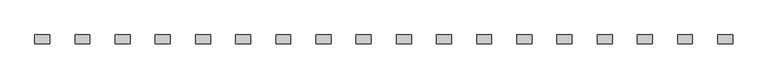
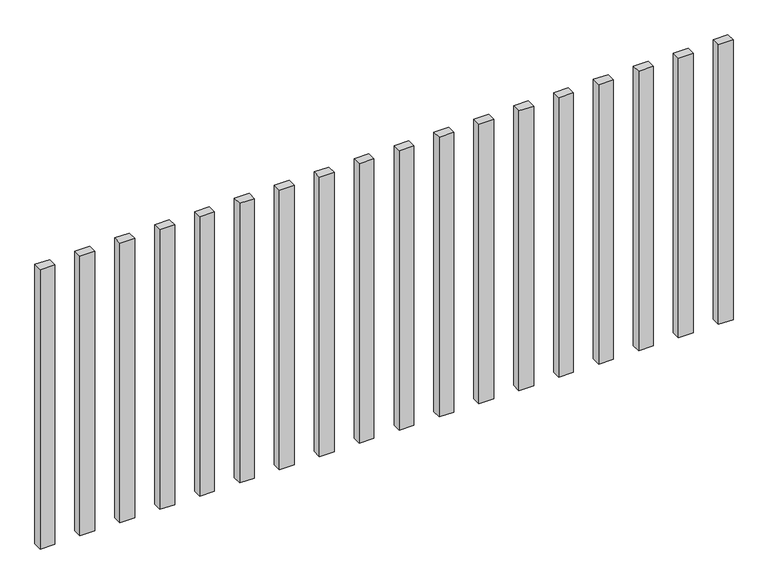
"""IFC4 building model written with IfcOpenShell, lengths in millimetres: railing geometry."""

from ifc_helpers import new_model, si_unit, origin, origin_with_axes, place, context, project, spatial, polyline, outline, extrude, source, transform, mapped, element, save


def railing_ff1332d6(model_context):
    return source(origin(), model_context, "Body", "SweptSolid", [
        extrude(outline(polyline([(-1107.5700772, -92444.0267127), (-1107.5700772, -92414.0267127), (-1057.5700772, -92414.0267127), (-1057.5700772, -92444.0267127), (-1107.5700772, -92444.0267127)])), origin_with_axes(), (0.0, 0.0, 1.0), 1000.0),
        extrude(outline(polyline([(-1242.5700772, -92444.0267127), (-1242.5700772, -92414.0267127), (-1192.5700772, -92414.0267127), (-1192.5700772, -92444.0267127), (-1242.5700772, -92444.0267127)])), origin_with_axes(), (0.0, 0.0, 1.0), 1000.0),
        extrude(outline(polyline([(-1377.5700772, -92444.0267127), (-1377.5700772, -92414.0267127), (-1327.5700772, -92414.0267127), (-1327.5700772, -92444.0267127), (-1377.5700772, -92444.0267127)])), origin_with_axes(), (0.0, 0.0, 1.0), 1000.0),
        extrude(outline(polyline([(-1512.5700772, -92444.0267127), (-1512.5700772, -92414.0267127), (-1462.5700772, -92414.0267127), (-1462.5700772, -92444.0267127), (-1512.5700772, -92444.0267127)])), origin_with_axes(), (0.0, 0.0, 1.0), 1000.0),
        extrude(outline(polyline([(-1647.5700772, -92444.0267127), (-1647.5700772, -92414.0267127), (-1597.5700772, -92414.0267127), (-1597.5700772, -92444.0267127), (-1647.5700772, -92444.0267127)])), origin_with_axes(), (0.0, 0.0, 1.0), 1000.0),
        extrude(outline(polyline([(-1782.5700772, -92444.0267127), (-1782.5700772, -92414.0267127), (-1732.5700772, -92414.0267127), (-1732.5700772, -92444.0267127), (-1782.5700772, -92444.0267127)])), origin_with_axes(), (0.0, 0.0, 1.0), 1000.0),
        extrude(outline(polyline([(-1917.5700772, -92444.0267127), (-1917.5700772, -92414.0267127), (-1867.5700772, -92414.0267127), (-1867.5700772, -92444.0267127), (-1917.5700772, -92444.0267127)])), origin_with_axes(), (0.0, 0.0, 1.0), 1000.0),
        extrude(outline(polyline([(-2052.5700772, -92444.0267127), (-2052.5700772, -92414.0267127), (-2002.5700772, -92414.0267127), (-2002.5700772, -92444.0267127), (-2052.5700772, -92444.0267127)])), origin_with_axes(), (0.0, 0.0, 1.0), 1000.0),
        extrude(outline(polyline([(-2187.5700772, -92444.0267127), (-2187.5700772, -92414.0267127), (-2137.5700772, -92414.0267127), (-2137.5700772, -92444.0267127), (-2187.5700772, -92444.0267127)])), origin_with_axes(), (0.0, 0.0, 1.0), 1000.0),
        extrude(outline(polyline([(-2322.5700772, -92444.0267127), (-2322.5700772, -92414.0267127), (-2272.5700772, -92414.0267127), (-2272.5700772, -92444.0267127), (-2322.5700772, -92444.0267127)])), origin_with_axes(), (0.0, 0.0, 1.0), 1000.0),
        extrude(outline(polyline([(-2457.5700772, -92444.0267127), (-2457.5700772, -92414.0267127), (-2407.5700772, -92414.0267127), (-2407.5700772, -92444.0267127), (-2457.5700772, -92444.0267127)])), origin_with_axes(), (0.0, 0.0, 1.0), 1000.0),
        extrude(outline(polyline([(-2592.5700772, -92444.0267127), (-2592.5700772, -92414.0267127), (-2542.5700772, -92414.0267127), (-2542.5700772, -92444.0267127), (-2592.5700772, -92444.0267127)])), origin_with_axes(), (0.0, 0.0, 1.0), 1000.0),
        extrude(outline(polyline([(-2727.5700772, -92444.0267127), (-2727.5700772, -92414.0267127), (-2677.5700772, -92414.0267127), (-2677.5700772, -92444.0267127), (-2727.5700772, -92444.0267127)])), origin_with_axes(), (0.0, 0.0, 1.0), 1000.0),
        extrude(outline(polyline([(-2862.5700772, -92444.0267127), (-2862.5700772, -92414.0267127), (-2812.5700772, -92414.0267127), (-2812.5700772, -92444.0267127), (-2862.5700772, -92444.0267127)])), origin_with_axes(), (0.0, 0.0, 1.0), 1000.0),
        extrude(outline(polyline([(-2997.5700772, -92444.0267127), (-2997.5700772, -92414.0267127), (-2947.5700772, -92414.0267127), (-2947.5700772, -92444.0267127), (-2997.5700772, -92444.0267127)])), origin_with_axes(), (0.0, 0.0, 1.0), 1000.0),
        extrude(outline(polyline([(-3132.5700772, -92444.0267127), (-3132.5700772, -92414.0267127), (-3082.5700772, -92414.0267127), (-3082.5700772, -92444.0267127), (-3132.5700772, -92444.0267127)])), origin_with_axes(), (0.0, 0.0, 1.0), 1000.0),
        extrude(outline(polyline([(-3267.5700772, -92444.0267127), (-3267.5700772, -92414.0267127), (-3217.5700772, -92414.0267127), (-3217.5700772, -92444.0267127), (-3267.5700772, -92444.0267127)])), origin_with_axes(), (0.0, 0.0, 1.0), 1000.0),
        extrude(outline(polyline([(-3402.5700772, -92444.0267127), (-3402.5700772, -92414.0267127), (-3352.5700772, -92414.0267127), (-3352.5700772, -92444.0267127), (-3402.5700772, -92444.0267127)])), origin_with_axes(), (0.0, 0.0, 1.0), 1000.0),
    ])


if __name__ == "__main__":
    model = new_model("IFC4")
    model_context = context("Model", 3, world=origin())
    ifc_project = project(units=[si_unit("LENGTHUNIT", "METRE", prefix="MILLI")], contexts=[model_context])
    site = spatial("IfcSite", under=ifc_project)
    building = spatial("IfcBuilding", under=site)
    placement = place(None, origin())
    railing_shape = railing_ff1332d6(model_context)
    element("IfcRailing", 1, at=placement, inside=building, context=model_context, shape_type="MappedRepresentation", body=[
        mapped(railing_shape, transform((0.0, 0.0, 0.0), x_axis=(1.0, 0.0, 0.0), y_axis=(0.0, 1.0, 0.0), z_axis=(0.0, 0.0, 1.0))),
    ])
    save(model, "model.ifc")
